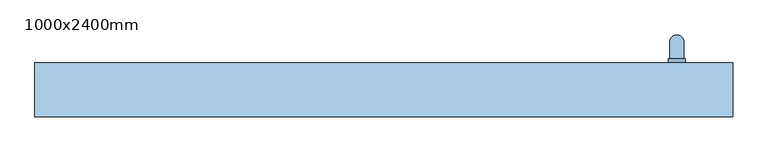
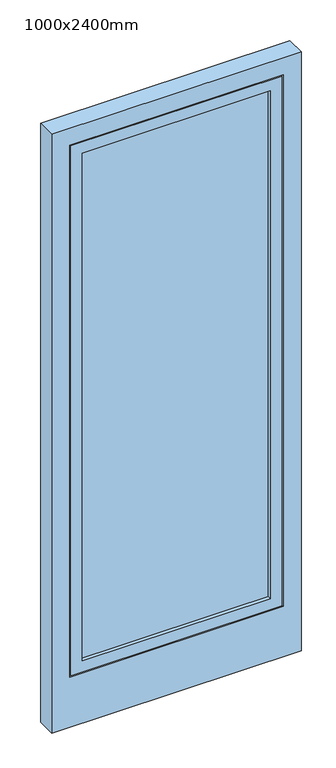
"""IFC4 building model written with IfcOpenShell, lengths in millimetres: window geometry, 1000x2400mm."""

import ifcopenshell
import ifcopenshell.guid

model = None  # the IFC model being written
_history = None  # IfcOwnerHistory: only IFC2X3 demands one
_inside = {}  # id of a spatial element -> (the spatial element, [elements in it])
_under = {}  # id of a project, library or spatial element -> (it, [spatial elements below it])
_declared = {}  # id of a project -> (the project, [libraries it declares])
_typed = {}  # id of a type object -> (the type object, [elements of that type])
_made_of = {}  # id of a material, layer set ... -> (it, [elements and type objects made of it])


def new_model(schema):
    """Start an empty IFC model of exactly this schema.

    Asked for "IFC4X3", IfcOpenShell would pick the latest addendum, in which some entities
    have other attributes; the version numbers below select the first issue.
    IFC2X3 requires an IfcOwnerHistory on every rooted entity: one is made here for all.
    """
    global model, _history
    if schema == "IFC4X3":
        model = ifcopenshell.file(schema_version=(4, 3, 0, 0))
    else:
        model = ifcopenshell.file(schema=schema)
    _inside.clear()
    _under.clear()
    _declared.clear()
    _typed.clear()
    _made_of.clear()
    _history = None
    if model.schema == "IFC2X3":
        org = make("IfcOrganization", Name="unknown")
        user = make(
            "IfcPersonAndOrganization",
            ThePerson=make("IfcPerson", FamilyName="unknown"),
            TheOrganization=org,
        )
        app = make(
            "IfcApplication",
            ApplicationDeveloper=org,
            Version="unknown",
            ApplicationFullName="unknown",
            ApplicationIdentifier="unknown",
        )
        _history = make(
            "IfcOwnerHistory",
            OwningUser=user,
            OwningApplication=app,
            ChangeAction="ADDED",
            CreationDate=0,
        )
    return model


def make(cls, **values):
    """One entity of the class cls with the attributes given. An attribute that is None is left unset."""
    return model.create_entity(
        cls, **{name: value for name, value in values.items() if value is not None}
    )


def rooted(cls, **values):
    """An entity with a GlobalId (a new one), such as an element, a storey or a relation."""
    return make(cls, GlobalId=ifcopenshell.guid.new(), OwnerHistory=_history, **values)


def si_unit(unit_type, name, prefix=None):
    """IfcSIUnit, for example si_unit("LENGTHUNIT", "METRE", prefix="MILLI")."""
    return make("IfcSIUnit", UnitType=unit_type, Prefix=prefix, Name=name)


def assignment(units):
    """IfcUnitAssignment: the units of a project."""
    return None if units is None else make("IfcUnitAssignment", Units=units)


def point(xyz):
    """IfcCartesianPoint."""
    return None if xyz is None else make("IfcCartesianPoint", Coordinates=xyz)


def direction(xyz):
    """IfcDirection."""
    return None if xyz is None else make("IfcDirection", DirectionRatios=xyz)


def frame(location, z_axis=None, x_axis=None):
    """IfcAxis2Placement3D, a coordinate frame: its origin and axes. An axis left out is left unset."""
    return make(
        "IfcAxis2Placement3D",
        Location=point(location),
        Axis=direction(z_axis),
        RefDirection=direction(x_axis),
    )


def origin():
    """The frame at (0, 0, 0) with its axes left unset."""
    return frame((0.0, 0.0, 0.0))


def place(relative_to, where):
    """IfcLocalPlacement: puts the frame where relative to a parent placement (None: the world)."""
    return make(
        "IfcLocalPlacement", PlacementRelTo=relative_to, RelativePlacement=where
    )


def context(
    kind, dimensions, precision=None, world=None, true_north=None, identifier=None
):
    """IfcGeometricRepresentationContext, for example the 3D "Model" context."""
    return make(
        "IfcGeometricRepresentationContext",
        ContextIdentifier=identifier,
        ContextType=kind,
        CoordinateSpaceDimension=dimensions,
        Precision=precision,
        WorldCoordinateSystem=world,
        TrueNorth=true_north,
    )


def project(units=None, contexts=None):
    """IfcProject with its units and contexts."""
    return rooted(
        "IfcProject",
        Name="project",
        RepresentationContexts=contexts,
        UnitsInContext=assignment(units),
    )


def spatial(cls, under=None, at=None, **own):
    """A site, building, storey or space (cls), placed at a placement, below another one or the project."""
    s = rooted(cls, ObjectPlacement=at, **own)
    if under is not None:
        _under.setdefault(under.id(), (under, []))[1].append(s)
    return s


def polyline(points):
    """IfcPolyline through the points."""
    return make("IfcPolyline", Points=[point(p) for p in points])


def circle_curve(where, radius):
    """IfcCircle in the frame where."""
    return make("IfcCircle", Position=where, Radius=radius)


def ellipse_curve(where, semi_axis1, semi_axis2):
    """IfcEllipse in the frame where."""
    return make(
        "IfcEllipse", Position=where, SemiAxis1=semi_axis1, SemiAxis2=semi_axis2
    )


def outline(outer, holes=None, kind="AREA"):
    """IfcArbitraryClosedProfileDef: a profile drawn as a closed curve; with holes, ...WithVoids."""
    if holes is None:
        return make("IfcArbitraryClosedProfileDef", ProfileType=kind, OuterCurve=outer)
    return make(
        "IfcArbitraryProfileDefWithVoids",
        ProfileType=kind,
        OuterCurve=outer,
        InnerCurves=holes,
    )


def extrude(swept, where, along, depth):
    """IfcExtrudedAreaSolid: the profile swept, set in the frame where, extruded along a direction by depth."""
    return make(
        "IfcExtrudedAreaSolid",
        SweptArea=swept,
        Position=where,
        ExtrudedDirection=direction(along),
        Depth=depth,
    )


def faces_of(points, faces, orient=None, outer=None):
    """IfcFace entities. A face is a list of loops; a loop is a list of indices into points, from 0.

    orient and outer hold one flag for each loop. By default every Orientation is true, the
    first loop of a face is its IfcFaceOuterBound and the others are IfcFaceBound.
    """
    made = []
    for i, loops in enumerate(faces):
        bounds = []
        for j, loop in enumerate(loops):
            is_outer = j == 0 if outer is None else outer[i][j]
            bounds.append(
                make(
                    "IfcFaceOuterBound" if is_outer else "IfcFaceBound",
                    Bound=make("IfcPolyLoop", Polygon=[points[k] for k in loop]),
                    Orientation=True if orient is None else orient[i][j],
                )
            )
        made.append(make("IfcFace", Bounds=bounds))
    return made


def faceted_brep(points, faces, orient=None, outer=None, voids=None):
    """IfcFacetedBrep: a solid bounded by flat faces; with voids (closed shells), ...WithVoids."""
    shared = [point(p) for p in points]
    hull = make("IfcClosedShell", CfsFaces=faces_of(shared, faces, orient, outer))
    if voids is None:
        return make("IfcFacetedBrep", Outer=hull)
    return make(
        "IfcFacetedBrepWithVoids",
        Outer=hull,
        Voids=[
            make(cls, CfsFaces=faces_of(shared, fs, o, b)) for cls, fs, o, b in voids
        ],
    )


def shape(context_of_items, identifier, shape_type, items):
    """IfcShapeRepresentation: the items that make up one representation, for example the "Body"."""
    return make(
        "IfcShapeRepresentation",
        ContextOfItems=context_of_items,
        RepresentationIdentifier=identifier,
        RepresentationType=shape_type,
        Items=items,
    )


def source(mapping_origin, context_of_items, identifier, shape_type, items):
    """IfcRepresentationMap: a shape defined once, which mapped items show again and again."""
    return make(
        "IfcRepresentationMap",
        MappingOrigin=mapping_origin,
        MappedRepresentation=shape(context_of_items, identifier, shape_type, items),
    )


def transform(
    local_origin,
    x_axis=None,
    y_axis=None,
    z_axis=None,
    scale=None,
    scale2=None,
    scale3=None,
    uniform=True,
):
    """IfcCartesianTransformationOperator3D, or its non-uniform kind. x_axis, y_axis, z_axis: its Axis1, 2, 3."""
    if uniform:
        return make(
            "IfcCartesianTransformationOperator3D",
            Axis1=direction(x_axis),
            Axis2=direction(y_axis),
            LocalOrigin=point(local_origin),
            Scale=scale,
            Axis3=direction(z_axis),
        )
    return make(
        "IfcCartesianTransformationOperator3DnonUniform",
        Axis1=direction(x_axis),
        Axis2=direction(y_axis),
        LocalOrigin=point(local_origin),
        Scale=scale,
        Axis3=direction(z_axis),
        Scale2=scale2,
        Scale3=scale3,
    )


def mapped(mapping_source, mapping_target):
    """IfcMappedItem: shows the shape of a source again, moved by a transform."""
    return make(
        "IfcMappedItem", MappingSource=mapping_source, MappingTarget=mapping_target
    )


def made_of(thing, what):
    """Note that an element or type object is made of a material, layer set ...; save() writes the relation."""
    if what is not None:
        _made_of.setdefault(what.id(), (what, []))[1].append(thing)
    return thing


def element(
    cls,
    number,
    at=None,
    inside=None,
    cuts=None,
    type_object=None,
    material=None,
    context=None,
    identifier="Body",
    shape_type=None,
    held_by="IfcProductDefinitionShape",
    body=None,
    shapes=None,
    **own,
):
    """One element of the class cls, such as IfcWall. Its Tag is "e" and its number.

    at: its placement. inside: the storey or other place that contains it. cuts: it is an
    opening in that element (IfcRelVoidsElement). A single representation is given by context,
    identifier, shape_type and body (its items); several are given by shapes. held_by: the class
    of the entity that holds the representations. save() writes the other relations.
    """
    e = rooted(cls, Tag="e%d" % number, ObjectPlacement=at, **own)
    if body is not None:
        shapes = [shape(context, identifier, shape_type, body)]
    if shapes is not None:
        e.Representation = make(held_by, Representations=shapes)
    if inside is not None:
        _inside.setdefault(inside.id(), (inside, []))[1].append(e)
    if cuts is not None:
        rooted(
            "IfcRelVoidsElement", RelatingBuildingElement=cuts, RelatedOpeningElement=e
        )
    if type_object is not None:
        _typed.setdefault(type_object.id(), (type_object, []))[1].append(e)
    return made_of(e, material)


def aggregate(whole, parts):
    """IfcRelAggregates: a whole, such as a stair, and the parts it consists of."""
    return rooted("IfcRelAggregates", RelatingObject=whole, RelatedObjects=parts)


def save(model, path):
    """Write the relations noted so far, then the file.

    IfcRelAggregates (storeys below a building ...), IfcRelContainedInSpatialStructure (elements
    in a storey), IfcRelDefinesByType, IfcRelAssociatesMaterial and IfcRelDeclares: one each for
    every whole, place, type object, material and project.
    """
    for whole, parts in _under.values():
        aggregate(whole, parts)
    for where, things in _inside.values():
        rooted(
            "IfcRelContainedInSpatialStructure",
            RelatedElements=things,
            RelatingStructure=where,
        )
    for kind, things in _typed.values():
        rooted("IfcRelDefinesByType", RelatedObjects=things, RelatingType=kind)
    for what, things in _made_of.values():
        rooted("IfcRelAssociatesMaterial", RelatedObjects=things, RelatingMaterial=what)
    for by, libraries in _declared.values():
        rooted("IfcRelDeclares", RelatingContext=by, RelatedDefinitions=libraries)
    model.write(path)


def plane_surface(at):
    """IfcPlane: the flat surface through the origin of the frame at, square to its z axis."""
    return make("IfcPlane", Position=at)


def cylinder_surface(at, radius):
    """IfcCylindricalSurface: all points at the distance radius from the z axis of the frame at."""
    return make("IfcCylindricalSurface", Position=at, Radius=radius)


def advanced_brep(points, edges, surfaces, faces):
    """IfcAdvancedBrep: a solid bounded by faces that lie on surfaces and meet in shared edges.

    An edge is (start, end): straight between two places in points (the first is 0);
    or (start, end, curve); or (start, end, curve, False) where it runs against its curve.
    A face is (place in surfaces, loops), or (place, loops, False) where it looks against
    its surface's normal. A loop lists edges by number (the first is 1), with a minus sign
    where the edge is run from its end to its start. The first loop is the outer one.
    """
    corners = [point(p) for p in points]
    vertices = [make("IfcVertexPoint", VertexGeometry=c) for c in corners]
    made = []
    for start, end, *more in edges:
        made.append(
            make(
                "IfcEdgeCurve",
                EdgeStart=vertices[start],
                EdgeEnd=vertices[end],
                EdgeGeometry=more[0] if more else make("IfcPolyline", Points=[corners[start], corners[end]]),
                SameSense=more[1] if len(more) > 1 else True,
            )
        )
    hull = []
    for where, loops, *sense in faces:
        bounds = []
        for j, loop in enumerate(loops):
            ring = [make("IfcOrientedEdge", EdgeElement=made[abs(k) - 1], Orientation=k > 0) for k in loop]
            bounds.append(
                make(
                    "IfcFaceOuterBound" if j == 0 else "IfcFaceBound",
                    Bound=make("IfcEdgeLoop", EdgeList=ring),
                    Orientation=True,
                )
            )
        hull.append(make("IfcAdvancedFace", Bounds=bounds, FaceSurface=surfaces[where], SameSense=sense[0] if sense else True))
    return make("IfcAdvancedBrep", Outer=make("IfcClosedShell", CfsFaces=hull))


def window_1000x2400mm_39d1440b(model_context):
    return source(origin(), model_context, "Body", "SolidModel", [
        advanced_brep(
        [(407.5, -45.0, 1217.5), (407.5, -45.0, 1200.0), (407.5, -45.0, 1182.5), (432.5, -45.0, 1182.5), (432.5, -45.0, 1200.0), (432.5, -45.0, 1217.5), (430.0, -15.0, 1200.0), (410.0, -15.0, 1200.0), (410.0, -39.0, 1200.0), (430.0, -39.0, 1200.0), (430.0, -15.0, 1080.0), (410.0, -15.0, 1080.0), (407.5, -39.0, 1217.5), (432.5, -39.0, 1217.5), (432.5, -39.0, 1200.0), (432.5, -39.0, 1182.5), (407.5, -39.0, 1182.5), (407.5, -39.0, 1200.0)],
        [
            (0, 1),
            (1, 2),
            (2, 3, circle_curve(frame((420.0, -45.0, 1182.5), z_axis=(0.0, -1.0, 0.0), x_axis=(-1.0, 0.0, 0.0)), 12.5)),
            (3, 4),
            (4, 5),
            (5, 0, circle_curve(frame((420.0, -45.0, 1217.5), z_axis=(0.0, -1.0, 0.0), x_axis=(-1.0, 0.0, 0.0)), 12.5)),
            (6, 7, ellipse_curve(frame((420.0, -15.0, 1200.0), z_axis=(0.0, -0.7071067811865498, 0.7071067811865451), x_axis=(0.0, -0.7071067811865452, -0.7071067811865497)), 14.1421356, 10.0)),
            (7, 8),
            (8, 9, circle_curve(frame((420.0, -39.0, 1200.0), z_axis=(0.0, 1.0, 0.0), x_axis=(-1.0, 0.0, 0.0)), 10.0)),
            (9, 6),
            (7, 6, ellipse_curve(frame((420.0, -15.0, 1200.0), z_axis=(0.0, -0.7071067811865498, 0.7071067811865451), x_axis=(0.0, -0.7071067811865452, -0.7071067811865497)), 14.1421356, 10.0)),
            (9, 8, circle_curve(frame((420.0, -39.0, 1200.0), z_axis=(0.0, 1.0, 0.0), x_axis=(-1.0, 0.0, 0.0)), 10.0)),
            (10, 11, circle_curve(frame((420.0, -15.0, 1080.0), z_axis=(0.0, 0.0, -1.0), x_axis=(-1.0, 0.0, 0.0)), 10.0)),
            (11, 10, circle_curve(frame((420.0, -15.0, 1080.0), z_axis=(0.0, 0.0, -1.0), x_axis=(-1.0, 0.0, 0.0)), 10.0)),
            (6, 10),
            (11, 7),
            (12, 13, circle_curve(frame((420.0, -39.0, 1217.5), z_axis=(0.0, 1.0, 0.0), x_axis=(-1.0, 0.0, 0.0)), 12.5)),
            (13, 14),
            (14, 15),
            (15, 16, circle_curve(frame((420.0, -39.0, 1182.5), z_axis=(0.0, 1.0, 0.0), x_axis=(-1.0, 0.0, 0.0)), 12.5)),
            (16, 17),
            (17, 12),
            (12, 0),
            (5, 13),
            (4, 14),
            (3, 15),
            (2, 16),
            (1, 17),
        ],
        [
            plane_surface(frame((420.0, -45.0, 1200.0), z_axis=(0.0, -1.0, 0.0), x_axis=(-1.0, 0.0, 0.0))),
            cylinder_surface(frame((420.0, -45.0, 1200.0), z_axis=(0.0, -1.0, 0.0), x_axis=(-1.0, 0.0, 0.0)), 10.0),
            plane_surface(frame((420.0, -15.0, 1080.0), z_axis=(0.0, 0.0, -1.0), x_axis=(-1.0, 0.0, 0.0))),
            cylinder_surface(frame((420.0, -15.0, 1200.0), z_axis=(0.0, 0.0, 1.0), x_axis=(-1.0, 0.0, 0.0)), 10.0),
            plane_surface(frame((407.5, -39.0, 1217.5), z_axis=(0.0, 1.0, 0.0), x_axis=(0.0, 0.0, 1.0))),
            cylinder_surface(frame((420.0, -45.0, 1217.5), z_axis=(0.0, 1.0, 0.0), x_axis=(-1.0, 0.0, 0.0)), 12.5),
            plane_surface(frame((432.5, -39.0, 1217.5), z_axis=(1.0, 0.0, 0.0), x_axis=(0.0, -1.0, 0.0))),
            plane_surface(frame((432.5, -39.0, 1200.0), z_axis=(1.0, 0.0, 0.0), x_axis=(0.0, -1.0, 0.0))),
            cylinder_surface(frame((420.0, -45.0, 1182.5), z_axis=(0.0, 1.0, 0.0), x_axis=(-1.0, 0.0, 0.0)), 12.5),
            plane_surface(frame((407.5, -39.0, 1182.5), z_axis=(-1.0, 0.0, 0.0), x_axis=(0.0, -1.0, 0.0))),
            plane_surface(frame((407.5, -39.0, 1200.0), z_axis=(-1.0, 0.0, 0.0), x_axis=(0.0, -1.0, 0.0))),
        ],
        [
            (0, [[1, 2, 3, 4, 5, 6]]),
            (1, [[7, 8, 9, 10]]),
            (1, [[11, -10, 12, -8]]),
            (2, [[13, 14]]),
            (3, [[-7, 15, -14, 16]]),
            (3, [[-11, -16, -13, -15]]),
            (4, [[17, 18, 19, 20, 21, 22], [-9, -12]]),
            (5, [[-17, 23, -6, 24]]),
            (6, [[-18, -24, -5, 25]]),
            (7, [[-19, -25, -4, 26]]),
            (8, [[-20, -26, -3, 27]]),
            (9, [[-21, -27, -2, 28]]),
            (10, [[-22, -28, -1, -23]]),
        ],
    ),
        faceted_brep([(-377.0, -45.0, 2277.0), (-377.0, -122.0, 2277.0), (-377.0, -122.0, 123.0), (-377.0, -45.0, 123.0), (-423.0, -122.0, 77.0), (423.0, -122.0, 77.0), (423.0, -122.0, 2323.0), (-423.0, -122.0, 2323.0), (377.0, -122.0, 2277.0), (377.0, -122.0, 123.0), (377.0, -45.0, 123.0), (-463.0, -45.0, 2363.0), (463.0, -45.0, 2363.0), (463.0, -45.0, 37.0), (-463.0, -45.0, 37.0), (377.0, -45.0, 2277.0), (-463.0, -60.0, 2363.0), (-463.0, -60.0, 37.0), (463.0, -60.0, 37.0), (463.0, -60.0, 2363.0), (-448.0, -60.0, 2348.0), (448.0, -60.0, 2348.0), (448.0, -60.0, 52.0), (-448.0, -60.0, 52.0), (-448.0, -83.5, 2348.0), (-448.0, -83.5, 52.0), (448.0, -83.5, 52.0), (448.0, -83.5, 2348.0), (-438.0, -83.5, 2338.0), (438.0, -83.5, 2338.0), (438.0, -83.5, 62.0), (-438.0, -83.5, 62.0), (-438.0, -107.0, 2338.0), (-438.0, -107.0, 62.0), (438.0, -107.0, 62.0), (438.0, -107.0, 2338.0), (-423.0, -107.0, 2323.0), (423.0, -107.0, 2323.0), (423.0, -107.0, 77.0), (-423.0, -107.0, 77.0)], [[[0, 1, 2, 3]], [[4, 5, 6, 7], [1, 8, 9, 2]], [[3, 2, 9, 10]], [[11, 12, 13, 14], [3, 10, 15, 0]], [[16, 11, 14, 17]], [[17, 14, 13, 18]], [[17, 18, 19, 16], [20, 21, 22, 23]], [[24, 20, 23, 25]], [[25, 23, 22, 26]], [[25, 26, 27, 24], [28, 29, 30, 31]], [[32, 28, 31, 33]], [[33, 31, 30, 34]], [[33, 34, 35, 32], [36, 37, 38, 39]], [[7, 36, 39, 4]], [[4, 39, 38, 5]], [[10, 9, 8, 15]], [[18, 13, 12, 19]], [[26, 22, 21, 27]], [[34, 30, 29, 35]], [[5, 38, 37, 6]], [[15, 8, 1, 0]], [[19, 12, 11, 16]], [[27, 21, 20, 24]], [[35, 29, 28, 32]], [[6, 37, 36, 7]]]),
        extrude(outline(polyline([(-377.0, -107.0), (-377.0, -63.0), (377.0, -63.0), (377.0, -107.0), (-377.0, -107.0)])), frame((0.0, 0.0, 123.0), z_axis=(0.0, 0.0, 1.0), x_axis=(1.0, 0.0, 0.0)), (0.0, 0.0, 1.0), 2154.0),
        faceted_brep([(500.0, -122.0, -140.0), (-500.0, -122.0, -140.0), (-500.0, -45.0, -140.0), (500.0, -45.0, -140.0), (500.0, -122.0, 2400.0), (500.0, -45.0, 2400.0), (-500.0, -45.0, 2400.0), (468.0, -45.0, 2368.0), (-468.0, -45.0, 2368.0), (-468.0, -45.0, 32.0), (468.0, -45.0, 32.0), (-500.0, -122.0, 2400.0), (428.0, -122.0, 72.0), (-428.0, -122.0, 72.0), (-428.0, -122.0, 2328.0), (428.0, -122.0, 2328.0), (428.0, -107.0, 2328.0), (428.0, -107.0, 72.0), (-428.0, -107.0, 72.0), (-428.0, -107.0, 2328.0), (468.0, -60.0, 2368.0), (468.0, -60.0, 32.0), (-468.0, -60.0, 32.0), (-468.0, -60.0, 2368.0), (453.0, -60.0, 2353.0), (-453.0, -60.0, 2353.0), (-453.0, -60.0, 47.0), (453.0, -60.0, 47.0), (453.0, -83.5, 47.0), (-453.0, -83.5, 47.0), (-453.0, -83.5, 2353.0), (453.0, -83.5, 2353.0), (443.0, -83.5, 2343.0), (-443.0, -83.5, 2343.0), (-443.0, -83.5, 57.0), (443.0, -83.5, 57.0), (443.0, -107.0, 57.0), (-443.0, -107.0, 57.0), (-443.0, -107.0, 2343.0), (443.0, -107.0, 2343.0)], [[[0, 1, 2, 3]], [[4, 0, 3, 5]], [[5, 3, 2, 6], [7, 8, 9, 10]], [[6, 2, 1, 11]], [[11, 1, 0, 4], [12, 13, 14, 15]], [[12, 15, 16, 17]], [[18, 19, 14, 13]], [[17, 18, 13, 12]], [[20, 7, 10, 21]], [[10, 9, 22, 21]], [[9, 8, 23, 22]], [[21, 22, 23, 20], [24, 25, 26, 27]], [[28, 29, 30, 31], [32, 33, 34, 35]], [[31, 24, 27, 28]], [[27, 26, 29, 28]], [[36, 37, 38, 39], [16, 19, 18, 17]], [[39, 32, 35, 36]], [[35, 34, 37, 36]], [[26, 25, 30, 29]], [[34, 33, 38, 37]], [[4, 5, 6, 11]], [[20, 23, 8, 7]], [[31, 30, 25, 24]], [[39, 38, 33, 32]], [[15, 14, 19, 16]]]),
    ])


if __name__ == "__main__":
    model = new_model("IFC4")
    model_context = context("Model", 3, world=origin())
    ifc_project = project(units=[si_unit("LENGTHUNIT", "METRE", prefix="MILLI")], contexts=[model_context])
    site = spatial("IfcSite", under=ifc_project)
    building = spatial("IfcBuilding", under=site)
    placement = place(None, origin())
    window_1000x2400mm_shape = window_1000x2400mm_39d1440b(model_context)
    element("IfcWindow", 1, ObjectType="1000x2400mm", at=placement, inside=building, context=model_context, shape_type="MappedRepresentation", body=[
        mapped(window_1000x2400mm_shape, transform((0.0, 0.0, 0.0), x_axis=(1.0, 0.0, 0.0), y_axis=(0.0, 1.0, 0.0), z_axis=(0.0, 0.0, 1.0))),
    ])
    save(model, "model.ifc")
